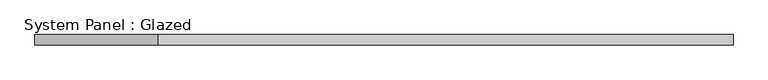
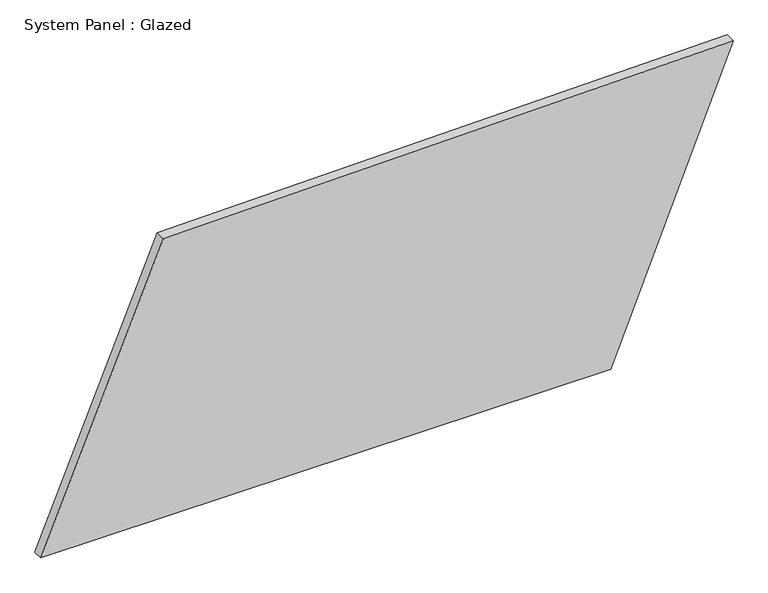
"""IFC4 building model written with IfcOpenShell, lengths in millimetres: plate geometry, System Panel : Glazed."""

from ifc_helpers import new_model, si_unit, frame, origin, place, context, project, spatial, polyline, outline, extrude, source, transform, mapped, element, save


def system_panel_glazed_0e550102(model_context):
    return source(origin(), model_context, "Body", "SweptSolid", [
        extrude(outline(polyline([(0.0, -855.1109276), (0.0, 552.9490354), (751.8969433, 855.1109276), (727.3566859, -552.3821168), (0.0, -855.1109276)])), frame((0.0, -49.5, 0.0), z_axis=(0.0, 1.0, 0.0), x_axis=(0.0, 0.0, 1.0)), (0.0, 0.0, 1.0), 25.0),
    ])


if __name__ == "__main__":
    model = new_model("IFC4")
    model_context = context("Model", 3, world=origin())
    ifc_project = project(units=[si_unit("LENGTHUNIT", "METRE", prefix="MILLI")], contexts=[model_context])
    site = spatial("IfcSite", under=ifc_project)
    building = spatial("IfcBuilding", under=site)
    placement = place(None, origin())
    system_panel_glazed_shape = system_panel_glazed_0e550102(model_context)
    element("IfcPlate", 1, ObjectType="System Panel : Glazed", at=placement, inside=building, context=model_context, shape_type="MappedRepresentation", body=[
        mapped(system_panel_glazed_shape, transform((0.0, 0.0, 0.0), x_axis=(1.0, 0.0, 0.0), y_axis=(0.0, 1.0, 0.0), z_axis=(0.0, 0.0, 1.0))),
    ])
    save(model, "model.ifc")
